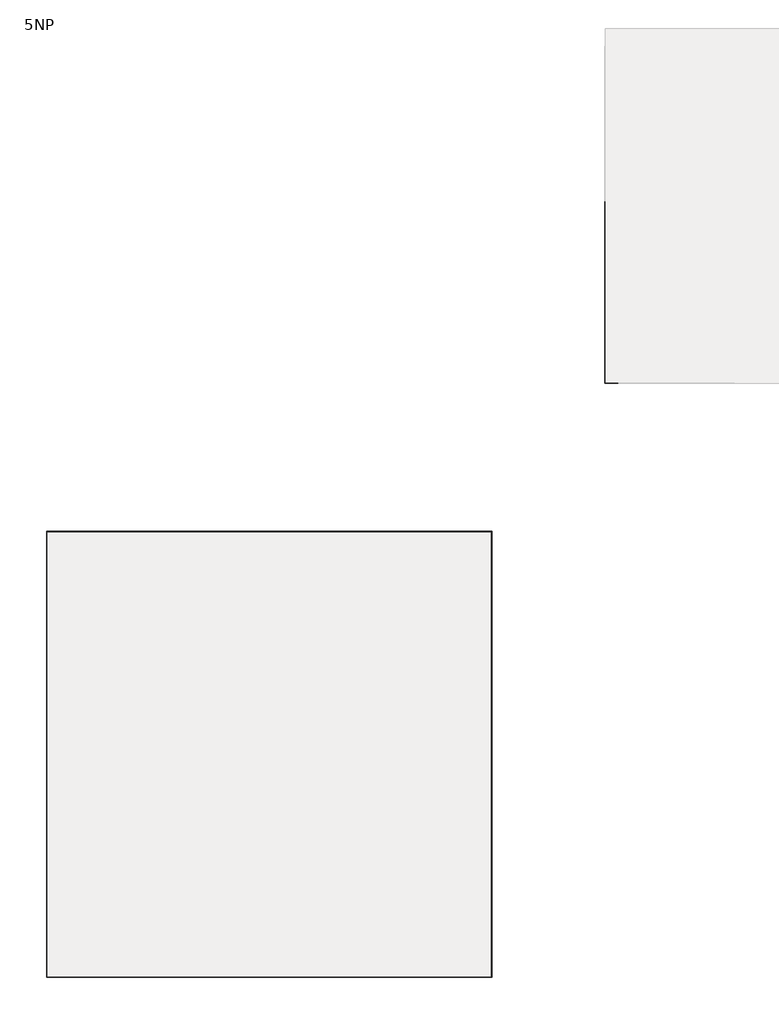
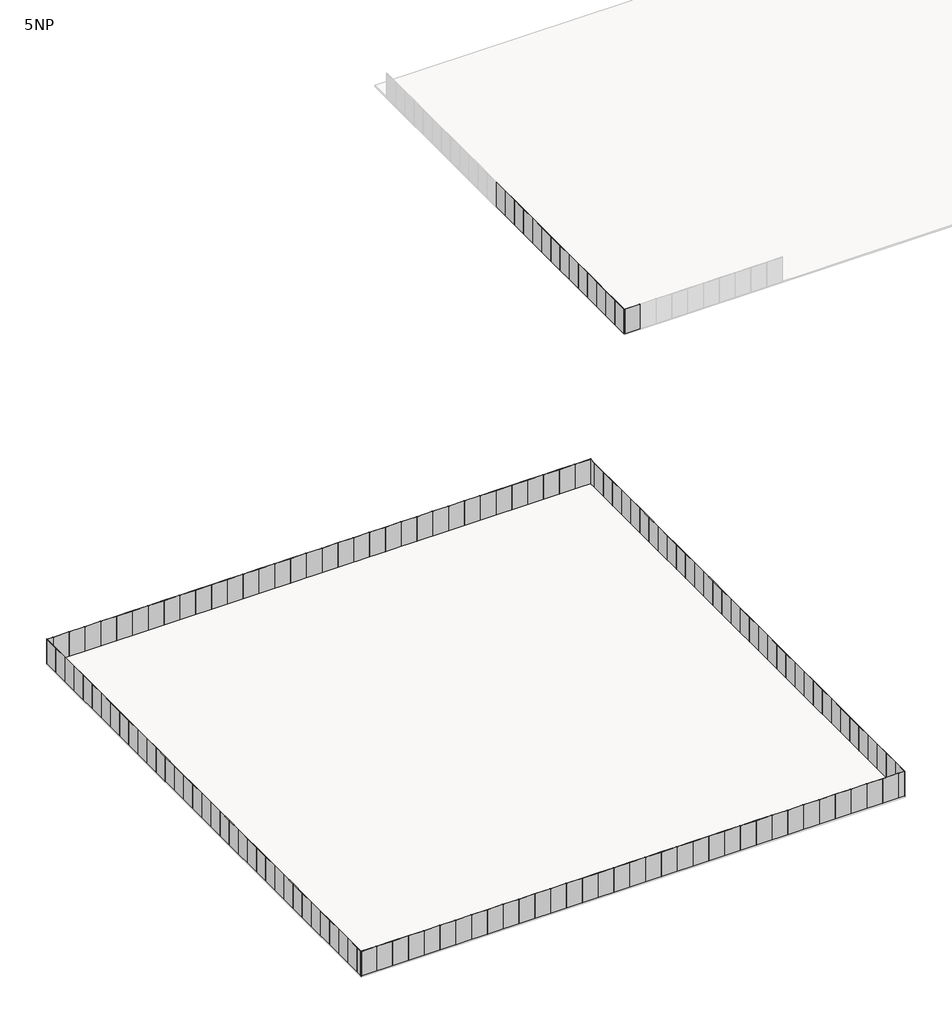
# One storey, part 1 of 3: 155 plates.
"""IFC4 building model written with IfcOpenShell, lengths in millimetres."""

import ifcopenshell
import ifcopenshell.guid

model = None  # the IFC model being written
_history = None  # IfcOwnerHistory: only IFC2X3 demands one
_inside = {}  # id of a spatial element -> (the spatial element, [elements in it])
_under = {}  # id of a project, library or spatial element -> (it, [spatial elements below it])
_declared = {}  # id of a project -> (the project, [libraries it declares])
_typed = {}  # id of a type object -> (the type object, [elements of that type])
_made_of = {}  # id of a material, layer set ... -> (it, [elements and type objects made of it])


def new_model(schema):
    """Start an empty IFC model of exactly this schema.

    Asked for "IFC4X3", IfcOpenShell would pick the latest addendum, in which some entities
    have other attributes; the version numbers below select the first issue.
    IFC2X3 requires an IfcOwnerHistory on every rooted entity: one is made here for all.
    """
    global model, _history
    if schema == "IFC4X3":
        model = ifcopenshell.file(schema_version=(4, 3, 0, 0))
    else:
        model = ifcopenshell.file(schema=schema)
    _inside.clear()
    _under.clear()
    _declared.clear()
    _typed.clear()
    _made_of.clear()
    _history = None
    if model.schema == "IFC2X3":
        org = make("IfcOrganization", Name="unknown")
        user = make(
            "IfcPersonAndOrganization",
            ThePerson=make("IfcPerson", FamilyName="unknown"),
            TheOrganization=org,
        )
        app = make(
            "IfcApplication",
            ApplicationDeveloper=org,
            Version="unknown",
            ApplicationFullName="unknown",
            ApplicationIdentifier="unknown",
        )
        _history = make(
            "IfcOwnerHistory",
            OwningUser=user,
            OwningApplication=app,
            ChangeAction="ADDED",
            CreationDate=0,
        )
    return model


def make(cls, **values):
    """One entity of the class cls with the attributes given. An attribute that is None is left unset."""
    return model.create_entity(
        cls, **{name: value for name, value in values.items() if value is not None}
    )


def rooted(cls, **values):
    """An entity with a GlobalId (a new one), such as an element, a storey or a relation."""
    return make(cls, GlobalId=ifcopenshell.guid.new(), OwnerHistory=_history, **values)


def si_unit(unit_type, name, prefix=None):
    """IfcSIUnit, for example si_unit("LENGTHUNIT", "METRE", prefix="MILLI")."""
    return make("IfcSIUnit", UnitType=unit_type, Prefix=prefix, Name=name)


def assignment(units):
    """IfcUnitAssignment: the units of a project."""
    return None if units is None else make("IfcUnitAssignment", Units=units)


def point(xyz):
    """IfcCartesianPoint."""
    return None if xyz is None else make("IfcCartesianPoint", Coordinates=xyz)


def direction(xyz):
    """IfcDirection."""
    return None if xyz is None else make("IfcDirection", DirectionRatios=xyz)


def frame(location, z_axis=None, x_axis=None):
    """IfcAxis2Placement3D, a coordinate frame: its origin and axes. An axis left out is left unset."""
    return make(
        "IfcAxis2Placement3D",
        Location=point(location),
        Axis=direction(z_axis),
        RefDirection=direction(x_axis),
    )


def origin():
    """The frame at (0, 0, 0) with its axes left unset."""
    return frame((0.0, 0.0, 0.0))


def origin_with_axes():
    """The frame at (0, 0, 0) with the z axis (0, 0, 1) and the x axis (1, 0, 0) written out."""
    return frame((0.0, 0.0, 0.0), z_axis=(0.0, 0.0, 1.0), x_axis=(1.0, 0.0, 0.0))


def place(relative_to, where):
    """IfcLocalPlacement: puts the frame where relative to a parent placement (None: the world)."""
    return make(
        "IfcLocalPlacement", PlacementRelTo=relative_to, RelativePlacement=where
    )


def context(
    kind, dimensions, precision=None, world=None, true_north=None, identifier=None
):
    """IfcGeometricRepresentationContext, for example the 3D "Model" context."""
    return make(
        "IfcGeometricRepresentationContext",
        ContextIdentifier=identifier,
        ContextType=kind,
        CoordinateSpaceDimension=dimensions,
        Precision=precision,
        WorldCoordinateSystem=world,
        TrueNorth=true_north,
    )


def project(units=None, contexts=None):
    """IfcProject with its units and contexts."""
    return rooted(
        "IfcProject",
        Name="project",
        RepresentationContexts=contexts,
        UnitsInContext=assignment(units),
    )


def spatial(cls, under=None, at=None, **own):
    """A site, building, storey or space (cls), placed at a placement, below another one or the project."""
    s = rooted(cls, ObjectPlacement=at, **own)
    if under is not None:
        _under.setdefault(under.id(), (under, []))[1].append(s)
    return s


def polyline(points):
    """IfcPolyline through the points."""
    return make("IfcPolyline", Points=[point(p) for p in points])


def outline(outer, holes=None, kind="AREA"):
    """IfcArbitraryClosedProfileDef: a profile drawn as a closed curve; with holes, ...WithVoids."""
    if holes is None:
        return make("IfcArbitraryClosedProfileDef", ProfileType=kind, OuterCurve=outer)
    return make(
        "IfcArbitraryProfileDefWithVoids",
        ProfileType=kind,
        OuterCurve=outer,
        InnerCurves=holes,
    )


def extrude(swept, where, along, depth):
    """IfcExtrudedAreaSolid: the profile swept, set in the frame where, extruded along a direction by depth."""
    return make(
        "IfcExtrudedAreaSolid",
        SweptArea=swept,
        Position=where,
        ExtrudedDirection=direction(along),
        Depth=depth,
    )


def shape(context_of_items, identifier, shape_type, items):
    """IfcShapeRepresentation: the items that make up one representation, for example the "Body"."""
    return make(
        "IfcShapeRepresentation",
        ContextOfItems=context_of_items,
        RepresentationIdentifier=identifier,
        RepresentationType=shape_type,
        Items=items,
    )


def source(mapping_origin, context_of_items, identifier, shape_type, items):
    """IfcRepresentationMap: a shape defined once, which mapped items show again and again."""
    return make(
        "IfcRepresentationMap",
        MappingOrigin=mapping_origin,
        MappedRepresentation=shape(context_of_items, identifier, shape_type, items),
    )


def transform(
    local_origin,
    x_axis=None,
    y_axis=None,
    z_axis=None,
    scale=None,
    scale2=None,
    scale3=None,
    uniform=True,
):
    """IfcCartesianTransformationOperator3D, or its non-uniform kind. x_axis, y_axis, z_axis: its Axis1, 2, 3."""
    if uniform:
        return make(
            "IfcCartesianTransformationOperator3D",
            Axis1=direction(x_axis),
            Axis2=direction(y_axis),
            LocalOrigin=point(local_origin),
            Scale=scale,
            Axis3=direction(z_axis),
        )
    return make(
        "IfcCartesianTransformationOperator3DnonUniform",
        Axis1=direction(x_axis),
        Axis2=direction(y_axis),
        LocalOrigin=point(local_origin),
        Scale=scale,
        Axis3=direction(z_axis),
        Scale2=scale2,
        Scale3=scale3,
    )


def mapped(mapping_source, mapping_target):
    """IfcMappedItem: shows the shape of a source again, moved by a transform."""
    return make(
        "IfcMappedItem", MappingSource=mapping_source, MappingTarget=mapping_target
    )


def made_of(thing, what):
    """Note that an element or type object is made of a material, layer set ...; save() writes the relation."""
    if what is not None:
        _made_of.setdefault(what.id(), (what, []))[1].append(thing)
    return thing


def element(
    cls,
    number,
    at=None,
    inside=None,
    cuts=None,
    type_object=None,
    material=None,
    context=None,
    identifier="Body",
    shape_type=None,
    held_by="IfcProductDefinitionShape",
    body=None,
    shapes=None,
    **own,
):
    """One element of the class cls, such as IfcWall. Its Tag is "e" and its number.

    at: its placement. inside: the storey or other place that contains it. cuts: it is an
    opening in that element (IfcRelVoidsElement). A single representation is given by context,
    identifier, shape_type and body (its items); several are given by shapes. held_by: the class
    of the entity that holds the representations. save() writes the other relations.
    """
    e = rooted(cls, Tag="e%d" % number, ObjectPlacement=at, **own)
    if body is not None:
        shapes = [shape(context, identifier, shape_type, body)]
    if shapes is not None:
        e.Representation = make(held_by, Representations=shapes)
    if inside is not None:
        _inside.setdefault(inside.id(), (inside, []))[1].append(e)
    if cuts is not None:
        rooted(
            "IfcRelVoidsElement", RelatingBuildingElement=cuts, RelatedOpeningElement=e
        )
    if type_object is not None:
        _typed.setdefault(type_object.id(), (type_object, []))[1].append(e)
    return made_of(e, material)


def aggregate(whole, parts):
    """IfcRelAggregates: a whole, such as a stair, and the parts it consists of."""
    return rooted("IfcRelAggregates", RelatingObject=whole, RelatedObjects=parts)


def save(model, path):
    """Write the relations noted so far, then the file.

    IfcRelAggregates (storeys below a building ...), IfcRelContainedInSpatialStructure (elements
    in a storey), IfcRelDefinesByType, IfcRelAssociatesMaterial and IfcRelDeclares: one each for
    every whole, place, type object, material and project.
    """
    for whole, parts in _under.values():
        aggregate(whole, parts)
    for where, things in _inside.values():
        rooted(
            "IfcRelContainedInSpatialStructure",
            RelatedElements=things,
            RelatingStructure=where,
        )
    for kind, things in _typed.values():
        rooted("IfcRelDefinesByType", RelatedObjects=things, RelatingType=kind)
    for what, things in _made_of.values():
        rooted("IfcRelAssociatesMaterial", RelatedObjects=things, RelatingMaterial=what)
    for by, libraries in _declared.values():
        rooted("IfcRelDeclares", RelatingContext=by, RelatedDefinitions=libraries)
    model.write(path)


def plate_1b9f2f65(model_context):
    return source(origin(), model_context, "Body", "SweptSolid", [
        extrude(outline(polyline([(915.0000002, 24.5), (-915.0000002, 24.5), (-915.0000002, 49.5), (915.0000002, 49.5), (915.0000002, 24.5)])), origin_with_axes(), (0.0, 0.0, 1.0), 3000.0),
    ])


def plate_6aa52e40(model_context):
    return source(origin(), model_context, "Body", "SweptSolid", [
        extrude(outline(polyline([(889.9999998, 24.5), (-889.9999998, 24.5), (-889.9999998, 49.5), (889.9999998, 49.5), (889.9999998, 24.5)])), origin_with_axes(), (0.0, 0.0, 1.0), 3000.0),
    ])


def plate_b3ee0a74(model_context):
    return source(origin(), model_context, "Body", "SweptSolid", [
        extrude(outline(polyline([(412.4999998, 24.5), (-412.4999998, 24.5), (-412.4999998, 49.5), (412.4999998, 49.5), (412.4999998, 24.5)])), origin_with_axes(), (0.0, 0.0, 1.0), 3000.0),
    ])


def plate_80f6fde1(model_context):
    return source(origin(), model_context, "Body", "SweptSolid", [
        extrude(outline(polyline([(379.0470052, 24.5), (-379.0470052, 24.5), (-379.0470052, 49.5), (379.0470052, 49.5), (379.0470052, 24.5)])), origin_with_axes(), (0.0, 0.0, 1.0), 3000.0),
    ])


model = new_model("IFC4")

# Units and contexts
model_context = context("Model", 3, world=origin())
ifc_project = project(units=[si_unit("LENGTHUNIT", "METRE", prefix="MILLI")], contexts=[model_context])

# Site, building, storey
site = spatial("IfcSite", under=ifc_project)
building = spatial("IfcBuilding", under=site)
storey = spatial("IfcBuildingStorey", under=building, Name="5NP", Elevation=12000.0)

# Plates
placement = place(None, origin())
plate_shape = plate_1b9f2f65(model_context)
element("IfcPlate", 1, at=placement, inside=storey, context=model_context, shape_type="MappedRepresentation", body=[
    mapped(plate_shape, transform((-1000.0, 84915.0000002, 12000.0), x_axis=(0.0, 1.0, 0.0), y_axis=(-1.0, 0.0, 0.0), z_axis=(0.0, 0.0, 1.0))),
])
element("IfcPlate", 2, at=placement, inside=storey, context=model_context, shape_type="MappedRepresentation", body=[
    mapped(plate_shape, transform((-1000.0, 86745.0000003, 12000.0), x_axis=(0.0, 1.0, 0.0), y_axis=(-1.0, 0.0, 0.0), z_axis=(0.0, 0.0, 1.0))),
])
element("IfcPlate", 3, at=placement, inside=storey, context=model_context, shape_type="MappedRepresentation", body=[
    mapped(plate_shape, transform((-1000.0, 88575.0000003, 12000.0), x_axis=(0.0, 1.0, 0.0), y_axis=(-1.0, 0.0, 0.0), z_axis=(0.0, 0.0, 1.0))),
])
element("IfcPlate", 4, at=placement, inside=storey, context=model_context, shape_type="MappedRepresentation", body=[
    mapped(plate_shape, transform((-1000.0, 90405.0000003, 12000.0), x_axis=(0.0, 1.0, 0.0), y_axis=(-1.0, 0.0, 0.0), z_axis=(0.0, 0.0, 1.0))),
])
element("IfcPlate", 5, at=placement, inside=storey, context=model_context, shape_type="MappedRepresentation", body=[
    mapped(plate_shape, transform((-1000.0, 92235.0000003, 12000.0), x_axis=(0.0, 1.0, 0.0), y_axis=(-1.0, 0.0, 0.0), z_axis=(0.0, 0.0, 1.0))),
])
element("IfcPlate", 6, at=placement, inside=storey, context=model_context, shape_type="MappedRepresentation", body=[
    mapped(plate_shape, transform((-1000.0, 94065.0000003, 12000.0), x_axis=(0.0, 1.0, 0.0), y_axis=(-1.0, 0.0, 0.0), z_axis=(0.0, 0.0, 1.0))),
])
element("IfcPlate", 7, at=placement, inside=storey, context=model_context, shape_type="MappedRepresentation", body=[
    mapped(plate_shape, transform((-1000.0, 95895.0000003, 12000.0), x_axis=(0.0, 1.0, 0.0), y_axis=(-1.0, 0.0, 0.0), z_axis=(0.0, 0.0, 1.0))),
])
element("IfcPlate", 8, at=placement, inside=storey, context=model_context, shape_type="MappedRepresentation", body=[
    mapped(plate_shape, transform((-1000.0, 97725.0000003, 12000.0), x_axis=(0.0, 1.0, 0.0), y_axis=(-1.0, 0.0, 0.0), z_axis=(0.0, 0.0, 1.0))),
])
element("IfcPlate", 9, at=placement, inside=storey, context=model_context, shape_type="MappedRepresentation", body=[
    mapped(plate_shape, transform((-1000.0, 99555.0000003, 12000.0), x_axis=(0.0, 1.0, 0.0), y_axis=(-1.0, 0.0, 0.0), z_axis=(0.0, 0.0, 1.0))),
])
element("IfcPlate", 10, at=placement, inside=storey, context=model_context, shape_type="MappedRepresentation", body=[
    mapped(plate_shape, transform((-1000.0, 101385.0000003, 12000.0), x_axis=(0.0, 1.0, 0.0), y_axis=(-1.0, 0.0, 0.0), z_axis=(0.0, 0.0, 1.0))),
])
element("IfcPlate", 11, at=placement, inside=storey, context=model_context, shape_type="MappedRepresentation", body=[
    mapped(plate_shape, transform((-1000.0, 103215.0000003, 12000.0), x_axis=(0.0, 1.0, 0.0), y_axis=(-1.0, 0.0, 0.0), z_axis=(0.0, 0.0, 1.0))),
])
element("IfcPlate", 12, at=placement, inside=storey, context=model_context, shape_type="MappedRepresentation", body=[
    mapped(plate_shape, transform((-1000.0, 105045.0000003, 12000.0), x_axis=(0.0, 1.0, 0.0), y_axis=(-1.0, 0.0, 0.0), z_axis=(0.0, 0.0, 1.0))),
])
element("IfcPlate", 13, at=placement, inside=storey, context=model_context, shape_type="MappedRepresentation", body=[
    mapped(plate_shape, transform((-1000.0, 106875.0000003, 12000.0), x_axis=(0.0, 1.0, 0.0), y_axis=(-1.0, 0.0, 0.0), z_axis=(0.0, 0.0, 1.0))),
])
element("IfcPlate", 14, at=placement, inside=storey, context=model_context, shape_type="MappedRepresentation", body=[
    mapped(plate_shape, transform((-1000.0, 108705.0000003, 12000.0), x_axis=(0.0, 1.0, 0.0), y_axis=(-1.0, 0.0, 0.0), z_axis=(0.0, 0.0, 1.0))),
])
element("IfcPlate", 15, at=placement, inside=storey, context=model_context, shape_type="MappedRepresentation", body=[
    mapped(plate_shape, transform((-80000.0, 62129.9999998, 12000.0), x_axis=(0.0, -1.0, 0.0), y_axis=(1.0, 0.0, 0.0), z_axis=(0.0, 0.0, 1.0))),
])
element("IfcPlate", 16, at=placement, inside=storey, context=model_context, shape_type="MappedRepresentation", body=[
    mapped(plate_shape, transform((-80000.0, 60299.9999997, 12000.0), x_axis=(0.0, -1.0, 0.0), y_axis=(1.0, 0.0, 0.0), z_axis=(0.0, 0.0, 1.0))),
])
element("IfcPlate", 17, at=placement, inside=storey, context=model_context, shape_type="MappedRepresentation", body=[
    mapped(plate_shape, transform((-80000.0, 58469.9999997, 12000.0), x_axis=(0.0, -1.0, 0.0), y_axis=(1.0, 0.0, 0.0), z_axis=(0.0, 0.0, 1.0))),
])
element("IfcPlate", 18, at=placement, inside=storey, context=model_context, shape_type="MappedRepresentation", body=[
    mapped(plate_shape, transform((-80000.0, 56639.9999997, 12000.0), x_axis=(0.0, -1.0, 0.0), y_axis=(1.0, 0.0, 0.0), z_axis=(0.0, 0.0, 1.0))),
])
element("IfcPlate", 19, at=placement, inside=storey, context=model_context, shape_type="MappedRepresentation", body=[
    mapped(plate_shape, transform((-80000.0, 54809.9999997, 12000.0), x_axis=(0.0, -1.0, 0.0), y_axis=(1.0, 0.0, 0.0), z_axis=(0.0, 0.0, 1.0))),
])
element("IfcPlate", 20, at=placement, inside=storey, context=model_context, shape_type="MappedRepresentation", body=[
    mapped(plate_shape, transform((-80000.0, 52979.9999997, 12000.0), x_axis=(0.0, -1.0, 0.0), y_axis=(1.0, 0.0, 0.0), z_axis=(0.0, 0.0, 1.0))),
])
element("IfcPlate", 21, at=placement, inside=storey, context=model_context, shape_type="MappedRepresentation", body=[
    mapped(plate_shape, transform((-80000.0, 51149.9999997, 12000.0), x_axis=(0.0, -1.0, 0.0), y_axis=(1.0, 0.0, 0.0), z_axis=(0.0, 0.0, 1.0))),
])
element("IfcPlate", 22, at=placement, inside=storey, context=model_context, shape_type="MappedRepresentation", body=[
    mapped(plate_shape, transform((-80000.0, 49319.9999997, 12000.0), x_axis=(0.0, -1.0, 0.0), y_axis=(1.0, 0.0, 0.0), z_axis=(0.0, 0.0, 1.0))),
])
element("IfcPlate", 23, at=placement, inside=storey, context=model_context, shape_type="MappedRepresentation", body=[
    mapped(plate_shape, transform((-80000.0, 47489.9999997, 12000.0), x_axis=(0.0, -1.0, 0.0), y_axis=(1.0, 0.0, 0.0), z_axis=(0.0, 0.0, 1.0))),
])
element("IfcPlate", 24, at=placement, inside=storey, context=model_context, shape_type="MappedRepresentation", body=[
    mapped(plate_shape, transform((-80000.0, 45659.9999997, 12000.0), x_axis=(0.0, -1.0, 0.0), y_axis=(1.0, 0.0, 0.0), z_axis=(0.0, 0.0, 1.0))),
])
element("IfcPlate", 25, at=placement, inside=storey, context=model_context, shape_type="MappedRepresentation", body=[
    mapped(plate_shape, transform((-80000.0, 43829.9999997, 12000.0), x_axis=(0.0, -1.0, 0.0), y_axis=(1.0, 0.0, 0.0), z_axis=(0.0, 0.0, 1.0))),
])
element("IfcPlate", 26, at=placement, inside=storey, context=model_context, shape_type="MappedRepresentation", body=[
    mapped(plate_shape, transform((-80000.0, 41999.9999997, 12000.0), x_axis=(0.0, -1.0, 0.0), y_axis=(1.0, 0.0, 0.0), z_axis=(0.0, 0.0, 1.0))),
])
element("IfcPlate", 27, at=placement, inside=storey, context=model_context, shape_type="MappedRepresentation", body=[
    mapped(plate_shape, transform((-80000.0, 40169.9999997, 12000.0), x_axis=(0.0, -1.0, 0.0), y_axis=(1.0, 0.0, 0.0), z_axis=(0.0, 0.0, 1.0))),
])
element("IfcPlate", 28, at=placement, inside=storey, context=model_context, shape_type="MappedRepresentation", body=[
    mapped(plate_shape, transform((-80000.0, 38339.9999997, 12000.0), x_axis=(0.0, -1.0, 0.0), y_axis=(1.0, 0.0, 0.0), z_axis=(0.0, 0.0, 1.0))),
])
element("IfcPlate", 29, at=placement, inside=storey, context=model_context, shape_type="MappedRepresentation", body=[
    mapped(plate_shape, transform((-80000.0, 36509.9999997, 12000.0), x_axis=(0.0, -1.0, 0.0), y_axis=(1.0, 0.0, 0.0), z_axis=(0.0, 0.0, 1.0))),
])
element("IfcPlate", 30, at=placement, inside=storey, context=model_context, shape_type="MappedRepresentation", body=[
    mapped(plate_shape, transform((-80000.0, 34679.9999997, 12000.0), x_axis=(0.0, -1.0, 0.0), y_axis=(1.0, 0.0, 0.0), z_axis=(0.0, 0.0, 1.0))),
])
element("IfcPlate", 31, at=placement, inside=storey, context=model_context, shape_type="MappedRepresentation", body=[
    mapped(plate_shape, transform((-80000.0, 32849.9999997, 12000.0), x_axis=(0.0, -1.0, 0.0), y_axis=(1.0, 0.0, 0.0), z_axis=(0.0, 0.0, 1.0))),
])
element("IfcPlate", 32, at=placement, inside=storey, context=model_context, shape_type="MappedRepresentation", body=[
    mapped(plate_shape, transform((-80000.0, 31019.9999997, 12000.0), x_axis=(0.0, -1.0, 0.0), y_axis=(1.0, 0.0, 0.0), z_axis=(0.0, 0.0, 1.0))),
])
element("IfcPlate", 33, at=placement, inside=storey, context=model_context, shape_type="MappedRepresentation", body=[
    mapped(plate_shape, transform((-80000.0, 29189.9999997, 12000.0), x_axis=(0.0, -1.0, 0.0), y_axis=(1.0, 0.0, 0.0), z_axis=(0.0, 0.0, 1.0))),
])
element("IfcPlate", 34, at=placement, inside=storey, context=model_context, shape_type="MappedRepresentation", body=[
    mapped(plate_shape, transform((-80000.0, 27359.9999997, 12000.0), x_axis=(0.0, -1.0, 0.0), y_axis=(1.0, 0.0, 0.0), z_axis=(0.0, 0.0, 1.0))),
])
element("IfcPlate", 35, at=placement, inside=storey, context=model_context, shape_type="MappedRepresentation", body=[
    mapped(plate_shape, transform((-80000.0, 25529.9999997, 12000.0), x_axis=(0.0, -1.0, 0.0), y_axis=(1.0, 0.0, 0.0), z_axis=(0.0, 0.0, 1.0))),
])
element("IfcPlate", 36, at=placement, inside=storey, context=model_context, shape_type="MappedRepresentation", body=[
    mapped(plate_shape, transform((-80000.0, 23699.9999997, 12000.0), x_axis=(0.0, -1.0, 0.0), y_axis=(1.0, 0.0, 0.0), z_axis=(0.0, 0.0, 1.0))),
])
element("IfcPlate", 37, at=placement, inside=storey, context=model_context, shape_type="MappedRepresentation", body=[
    mapped(plate_shape, transform((-80000.0, 21869.9999997, 12000.0), x_axis=(0.0, -1.0, 0.0), y_axis=(1.0, 0.0, 0.0), z_axis=(0.0, 0.0, 1.0))),
])
element("IfcPlate", 38, at=placement, inside=storey, context=model_context, shape_type="MappedRepresentation", body=[
    mapped(plate_shape, transform((-80000.0, 20039.9999997, 12000.0), x_axis=(0.0, -1.0, 0.0), y_axis=(1.0, 0.0, 0.0), z_axis=(0.0, 0.0, 1.0))),
])
element("IfcPlate", 39, at=placement, inside=storey, context=model_context, shape_type="MappedRepresentation", body=[
    mapped(plate_shape, transform((-80000.0, 18209.9999997, 12000.0), x_axis=(0.0, -1.0, 0.0), y_axis=(1.0, 0.0, 0.0), z_axis=(0.0, 0.0, 1.0))),
])
element("IfcPlate", 40, at=placement, inside=storey, context=model_context, shape_type="MappedRepresentation", body=[
    mapped(plate_shape, transform((-80000.0, 16379.9999997, 12000.0), x_axis=(0.0, -1.0, 0.0), y_axis=(1.0, 0.0, 0.0), z_axis=(0.0, 0.0, 1.0))),
])
element("IfcPlate", 41, at=placement, inside=storey, context=model_context, shape_type="MappedRepresentation", body=[
    mapped(plate_shape, transform((-80000.0, 14549.9999997, 12000.0), x_axis=(0.0, -1.0, 0.0), y_axis=(1.0, 0.0, 0.0), z_axis=(0.0, 0.0, 1.0))),
])
element("IfcPlate", 42, at=placement, inside=storey, context=model_context, shape_type="MappedRepresentation", body=[
    mapped(plate_shape, transform((-80000.0, 12719.9999997, 12000.0), x_axis=(0.0, -1.0, 0.0), y_axis=(1.0, 0.0, 0.0), z_axis=(0.0, 0.0, 1.0))),
])
element("IfcPlate", 43, at=placement, inside=storey, context=model_context, shape_type="MappedRepresentation", body=[
    mapped(plate_shape, transform((-80000.0, 10889.9999997, 12000.0), x_axis=(0.0, -1.0, 0.0), y_axis=(1.0, 0.0, 0.0), z_axis=(0.0, 0.0, 1.0))),
])
element("IfcPlate", 44, at=placement, inside=storey, context=model_context, shape_type="MappedRepresentation", body=[
    mapped(plate_shape, transform((-80000.0, 9059.9999997, 12000.0), x_axis=(0.0, -1.0, 0.0), y_axis=(1.0, 0.0, 0.0), z_axis=(0.0, 0.0, 1.0))),
])
element("IfcPlate", 45, at=placement, inside=storey, context=model_context, shape_type="MappedRepresentation", body=[
    mapped(plate_shape, transform((-80000.0, 7229.9999997, 12000.0), x_axis=(0.0, -1.0, 0.0), y_axis=(1.0, 0.0, 0.0), z_axis=(0.0, 0.0, 1.0))),
])
element("IfcPlate", 46, at=placement, inside=storey, context=model_context, shape_type="MappedRepresentation", body=[
    mapped(plate_shape, transform((-80000.0, 5399.9999997, 12000.0), x_axis=(0.0, -1.0, 0.0), y_axis=(1.0, 0.0, 0.0), z_axis=(0.0, 0.0, 1.0))),
])
element("IfcPlate", 47, at=placement, inside=storey, context=model_context, shape_type="MappedRepresentation", body=[
    mapped(plate_shape, transform((-80000.0, 3569.9999997, 12000.0), x_axis=(0.0, -1.0, 0.0), y_axis=(1.0, 0.0, 0.0), z_axis=(0.0, 0.0, 1.0))),
])
element("IfcPlate", 48, at=placement, inside=storey, context=model_context, shape_type="MappedRepresentation", body=[
    mapped(plate_shape, transform((-80000.0, 1739.9999997, 12000.0), x_axis=(0.0, -1.0, 0.0), y_axis=(1.0, 0.0, 0.0), z_axis=(0.0, 0.0, 1.0))),
])
element("IfcPlate", 49, at=placement, inside=storey, context=model_context, shape_type="MappedRepresentation", body=[
    mapped(plate_shape, transform((-79084.9999998, 0.0, 12000.0), x_axis=(1.0, 0.0, 0.0), y_axis=(0.0, 1.0, 0.0), z_axis=(0.0, 0.0, 1.0))),
])
element("IfcPlate", 50, at=placement, inside=storey, context=model_context, shape_type="MappedRepresentation", body=[
    mapped(plate_shape, transform((-77254.9999997, 0.0, 12000.0), x_axis=(1.0, 0.0, 0.0), y_axis=(0.0, 1.0, 0.0), z_axis=(0.0, 0.0, 1.0))),
])
element("IfcPlate", 51, at=placement, inside=storey, context=model_context, shape_type="MappedRepresentation", body=[
    mapped(plate_shape, transform((-75424.9999997, 0.0, 12000.0), x_axis=(1.0, 0.0, 0.0), y_axis=(0.0, 1.0, 0.0), z_axis=(0.0, 0.0, 1.0))),
])
element("IfcPlate", 52, at=placement, inside=storey, context=model_context, shape_type="MappedRepresentation", body=[
    mapped(plate_shape, transform((-73594.9999997, 0.0, 12000.0), x_axis=(1.0, 0.0, 0.0), y_axis=(0.0, 1.0, 0.0), z_axis=(0.0, 0.0, 1.0))),
])
element("IfcPlate", 53, at=placement, inside=storey, context=model_context, shape_type="MappedRepresentation", body=[
    mapped(plate_shape, transform((-71764.9999997, 0.0, 12000.0), x_axis=(1.0, 0.0, 0.0), y_axis=(0.0, 1.0, 0.0), z_axis=(0.0, 0.0, 1.0))),
])
element("IfcPlate", 54, at=placement, inside=storey, context=model_context, shape_type="MappedRepresentation", body=[
    mapped(plate_shape, transform((-69934.9999997, 0.0, 12000.0), x_axis=(1.0, 0.0, 0.0), y_axis=(0.0, 1.0, 0.0), z_axis=(0.0, 0.0, 1.0))),
])
element("IfcPlate", 55, at=placement, inside=storey, context=model_context, shape_type="MappedRepresentation", body=[
    mapped(plate_shape, transform((-68104.9999997, 0.0, 12000.0), x_axis=(1.0, 0.0, 0.0), y_axis=(0.0, 1.0, 0.0), z_axis=(0.0, 0.0, 1.0))),
])
element("IfcPlate", 56, at=placement, inside=storey, context=model_context, shape_type="MappedRepresentation", body=[
    mapped(plate_shape, transform((-66274.9999997, 0.0, 12000.0), x_axis=(1.0, 0.0, 0.0), y_axis=(0.0, 1.0, 0.0), z_axis=(0.0, 0.0, 1.0))),
])
element("IfcPlate", 57, at=placement, inside=storey, context=model_context, shape_type="MappedRepresentation", body=[
    mapped(plate_shape, transform((-64444.9999997, 0.0, 12000.0), x_axis=(1.0, 0.0, 0.0), y_axis=(0.0, 1.0, 0.0), z_axis=(0.0, 0.0, 1.0))),
])
element("IfcPlate", 58, at=placement, inside=storey, context=model_context, shape_type="MappedRepresentation", body=[
    mapped(plate_shape, transform((-62614.9999997, 0.0, 12000.0), x_axis=(1.0, 0.0, 0.0), y_axis=(0.0, 1.0, 0.0), z_axis=(0.0, 0.0, 1.0))),
])
element("IfcPlate", 59, at=placement, inside=storey, context=model_context, shape_type="MappedRepresentation", body=[
    mapped(plate_shape, transform((-60784.9999997, 0.0, 12000.0), x_axis=(1.0, 0.0, 0.0), y_axis=(0.0, 1.0, 0.0), z_axis=(0.0, 0.0, 1.0))),
])
element("IfcPlate", 60, at=placement, inside=storey, context=model_context, shape_type="MappedRepresentation", body=[
    mapped(plate_shape, transform((-58954.9999997, 0.0, 12000.0), x_axis=(1.0, 0.0, 0.0), y_axis=(0.0, 1.0, 0.0), z_axis=(0.0, 0.0, 1.0))),
])
element("IfcPlate", 61, at=placement, inside=storey, context=model_context, shape_type="MappedRepresentation", body=[
    mapped(plate_shape, transform((-57124.9999997, 0.0, 12000.0), x_axis=(1.0, 0.0, 0.0), y_axis=(0.0, 1.0, 0.0), z_axis=(0.0, 0.0, 1.0))),
])
element("IfcPlate", 62, at=placement, inside=storey, context=model_context, shape_type="MappedRepresentation", body=[
    mapped(plate_shape, transform((-55294.9999997, 0.0, 12000.0), x_axis=(1.0, 0.0, 0.0), y_axis=(0.0, 1.0, 0.0), z_axis=(0.0, 0.0, 1.0))),
])
element("IfcPlate", 63, at=placement, inside=storey, context=model_context, shape_type="MappedRepresentation", body=[
    mapped(plate_shape, transform((-53464.9999997, 0.0, 12000.0), x_axis=(1.0, 0.0, 0.0), y_axis=(0.0, 1.0, 0.0), z_axis=(0.0, 0.0, 1.0))),
])
element("IfcPlate", 64, at=placement, inside=storey, context=model_context, shape_type="MappedRepresentation", body=[
    mapped(plate_shape, transform((-51634.9999997, 0.0, 12000.0), x_axis=(1.0, 0.0, 0.0), y_axis=(0.0, 1.0, 0.0), z_axis=(0.0, 0.0, 1.0))),
])
element("IfcPlate", 65, at=placement, inside=storey, context=model_context, shape_type="MappedRepresentation", body=[
    mapped(plate_shape, transform((-49804.9999997, 0.0, 12000.0), x_axis=(1.0, 0.0, 0.0), y_axis=(0.0, 1.0, 0.0), z_axis=(0.0, 0.0, 1.0))),
])
element("IfcPlate", 66, at=placement, inside=storey, context=model_context, shape_type="MappedRepresentation", body=[
    mapped(plate_shape, transform((-47974.9999997, 0.0, 12000.0), x_axis=(1.0, 0.0, 0.0), y_axis=(0.0, 1.0, 0.0), z_axis=(0.0, 0.0, 1.0))),
])
element("IfcPlate", 67, at=placement, inside=storey, context=model_context, shape_type="MappedRepresentation", body=[
    mapped(plate_shape, transform((-46144.9999997, 0.0, 12000.0), x_axis=(1.0, 0.0, 0.0), y_axis=(0.0, 1.0, 0.0), z_axis=(0.0, 0.0, 1.0))),
])
element("IfcPlate", 68, at=placement, inside=storey, context=model_context, shape_type="MappedRepresentation", body=[
    mapped(plate_shape, transform((-44314.9999997, 0.0, 12000.0), x_axis=(1.0, 0.0, 0.0), y_axis=(0.0, 1.0, 0.0), z_axis=(0.0, 0.0, 1.0))),
])
element("IfcPlate", 69, at=placement, inside=storey, context=model_context, shape_type="MappedRepresentation", body=[
    mapped(plate_shape, transform((-42484.9999997, 0.0, 12000.0), x_axis=(1.0, 0.0, 0.0), y_axis=(0.0, 1.0, 0.0), z_axis=(0.0, 0.0, 1.0))),
])
element("IfcPlate", 70, at=placement, inside=storey, context=model_context, shape_type="MappedRepresentation", body=[
    mapped(plate_shape, transform((-40654.9999997, 0.0, 12000.0), x_axis=(1.0, 0.0, 0.0), y_axis=(0.0, 1.0, 0.0), z_axis=(0.0, 0.0, 1.0))),
])
element("IfcPlate", 71, at=placement, inside=storey, context=model_context, shape_type="MappedRepresentation", body=[
    mapped(plate_shape, transform((-38824.9999997, 0.0, 12000.0), x_axis=(1.0, 0.0, 0.0), y_axis=(0.0, 1.0, 0.0), z_axis=(0.0, 0.0, 1.0))),
])
element("IfcPlate", 72, at=placement, inside=storey, context=model_context, shape_type="MappedRepresentation", body=[
    mapped(plate_shape, transform((-36994.9999997, 0.0, 12000.0), x_axis=(1.0, 0.0, 0.0), y_axis=(0.0, 1.0, 0.0), z_axis=(0.0, 0.0, 1.0))),
])
element("IfcPlate", 73, at=placement, inside=storey, context=model_context, shape_type="MappedRepresentation", body=[
    mapped(plate_shape, transform((-35164.9999997, 0.0, 12000.0), x_axis=(1.0, 0.0, 0.0), y_axis=(0.0, 1.0, 0.0), z_axis=(0.0, 0.0, 1.0))),
])
element("IfcPlate", 74, at=placement, inside=storey, context=model_context, shape_type="MappedRepresentation", body=[
    mapped(plate_shape, transform((-33334.9999997, 0.0, 12000.0), x_axis=(1.0, 0.0, 0.0), y_axis=(0.0, 1.0, 0.0), z_axis=(0.0, 0.0, 1.0))),
])
element("IfcPlate", 75, at=placement, inside=storey, context=model_context, shape_type="MappedRepresentation", body=[
    mapped(plate_shape, transform((-31504.9999997, 0.0, 12000.0), x_axis=(1.0, 0.0, 0.0), y_axis=(0.0, 1.0, 0.0), z_axis=(0.0, 0.0, 1.0))),
])
element("IfcPlate", 76, at=placement, inside=storey, context=model_context, shape_type="MappedRepresentation", body=[
    mapped(plate_shape, transform((-29674.9999997, 0.0, 12000.0), x_axis=(1.0, 0.0, 0.0), y_axis=(0.0, 1.0, 0.0), z_axis=(0.0, 0.0, 1.0))),
])
element("IfcPlate", 77, at=placement, inside=storey, context=model_context, shape_type="MappedRepresentation", body=[
    mapped(plate_shape, transform((-27844.9999997, 0.0, 12000.0), x_axis=(1.0, 0.0, 0.0), y_axis=(0.0, 1.0, 0.0), z_axis=(0.0, 0.0, 1.0))),
])
element("IfcPlate", 78, at=placement, inside=storey, context=model_context, shape_type="MappedRepresentation", body=[
    mapped(plate_shape, transform((-26014.9999997, 0.0, 12000.0), x_axis=(1.0, 0.0, 0.0), y_axis=(0.0, 1.0, 0.0), z_axis=(0.0, 0.0, 1.0))),
])
element("IfcPlate", 79, at=placement, inside=storey, context=model_context, shape_type="MappedRepresentation", body=[
    mapped(plate_shape, transform((-24184.9999997, 0.0, 12000.0), x_axis=(1.0, 0.0, 0.0), y_axis=(0.0, 1.0, 0.0), z_axis=(0.0, 0.0, 1.0))),
])
element("IfcPlate", 80, at=placement, inside=storey, context=model_context, shape_type="MappedRepresentation", body=[
    mapped(plate_shape, transform((-22354.9999997, 0.0, 12000.0), x_axis=(1.0, 0.0, 0.0), y_axis=(0.0, 1.0, 0.0), z_axis=(0.0, 0.0, 1.0))),
])
element("IfcPlate", 81, at=placement, inside=storey, context=model_context, shape_type="MappedRepresentation", body=[
    mapped(plate_shape, transform((-20524.9999997, 0.0, 12000.0), x_axis=(1.0, 0.0, 0.0), y_axis=(0.0, 1.0, 0.0), z_axis=(0.0, 0.0, 1.0))),
])
element("IfcPlate", 82, at=placement, inside=storey, context=model_context, shape_type="MappedRepresentation", body=[
    mapped(plate_shape, transform((-18694.9999997, 0.0, 12000.0), x_axis=(1.0, 0.0, 0.0), y_axis=(0.0, 1.0, 0.0), z_axis=(0.0, 0.0, 1.0))),
])
element("IfcPlate", 83, at=placement, inside=storey, context=model_context, shape_type="MappedRepresentation", body=[
    mapped(plate_shape, transform((-17021.9059892, 915.0000002, 12000.0), x_axis=(0.0, 1.0, 0.0), y_axis=(-1.0, 0.0, 0.0), z_axis=(0.0, 0.0, 1.0))),
])
element("IfcPlate", 84, at=placement, inside=storey, context=model_context, shape_type="MappedRepresentation", body=[
    mapped(plate_shape, transform((-17021.9059892, 2745.0000003, 12000.0), x_axis=(0.0, 1.0, 0.0), y_axis=(-1.0, 0.0, 0.0), z_axis=(0.0, 0.0, 1.0))),
])
element("IfcPlate", 85, at=placement, inside=storey, context=model_context, shape_type="MappedRepresentation", body=[
    mapped(plate_shape, transform((-17021.9059892, 4575.0000003, 12000.0), x_axis=(0.0, 1.0, 0.0), y_axis=(-1.0, 0.0, 0.0), z_axis=(0.0, 0.0, 1.0))),
])
element("IfcPlate", 86, at=placement, inside=storey, context=model_context, shape_type="MappedRepresentation", body=[
    mapped(plate_shape, transform((-17021.9059892, 6405.0000003, 12000.0), x_axis=(0.0, 1.0, 0.0), y_axis=(-1.0, 0.0, 0.0), z_axis=(0.0, 0.0, 1.0))),
])
element("IfcPlate", 87, at=placement, inside=storey, context=model_context, shape_type="MappedRepresentation", body=[
    mapped(plate_shape, transform((-17021.9059892, 8235.0000003, 12000.0), x_axis=(0.0, 1.0, 0.0), y_axis=(-1.0, 0.0, 0.0), z_axis=(0.0, 0.0, 1.0))),
])
element("IfcPlate", 88, at=placement, inside=storey, context=model_context, shape_type="MappedRepresentation", body=[
    mapped(plate_shape, transform((-17021.9059892, 10065.0000003, 12000.0), x_axis=(0.0, 1.0, 0.0), y_axis=(-1.0, 0.0, 0.0), z_axis=(0.0, 0.0, 1.0))),
])
element("IfcPlate", 89, at=placement, inside=storey, context=model_context, shape_type="MappedRepresentation", body=[
    mapped(plate_shape, transform((-17021.9059892, 11895.0000003, 12000.0), x_axis=(0.0, 1.0, 0.0), y_axis=(-1.0, 0.0, 0.0), z_axis=(0.0, 0.0, 1.0))),
])
element("IfcPlate", 90, at=placement, inside=storey, context=model_context, shape_type="MappedRepresentation", body=[
    mapped(plate_shape, transform((-17021.9059892, 13725.0000003, 12000.0), x_axis=(0.0, 1.0, 0.0), y_axis=(-1.0, 0.0, 0.0), z_axis=(0.0, 0.0, 1.0))),
])
element("IfcPlate", 91, at=placement, inside=storey, context=model_context, shape_type="MappedRepresentation", body=[
    mapped(plate_shape, transform((-17021.9059892, 15555.0000003, 12000.0), x_axis=(0.0, 1.0, 0.0), y_axis=(-1.0, 0.0, 0.0), z_axis=(0.0, 0.0, 1.0))),
])
element("IfcPlate", 92, at=placement, inside=storey, context=model_context, shape_type="MappedRepresentation", body=[
    mapped(plate_shape, transform((-17021.9059892, 17385.0000003, 12000.0), x_axis=(0.0, 1.0, 0.0), y_axis=(-1.0, 0.0, 0.0), z_axis=(0.0, 0.0, 1.0))),
])
element("IfcPlate", 93, at=placement, inside=storey, context=model_context, shape_type="MappedRepresentation", body=[
    mapped(plate_shape, transform((-17021.9059892, 19215.0000003, 12000.0), x_axis=(0.0, 1.0, 0.0), y_axis=(-1.0, 0.0, 0.0), z_axis=(0.0, 0.0, 1.0))),
])
element("IfcPlate", 94, at=placement, inside=storey, context=model_context, shape_type="MappedRepresentation", body=[
    mapped(plate_shape, transform((-17021.9059892, 21045.0000003, 12000.0), x_axis=(0.0, 1.0, 0.0), y_axis=(-1.0, 0.0, 0.0), z_axis=(0.0, 0.0, 1.0))),
])
element("IfcPlate", 95, at=placement, inside=storey, context=model_context, shape_type="MappedRepresentation", body=[
    mapped(plate_shape, transform((-17021.9059892, 22875.0000003, 12000.0), x_axis=(0.0, 1.0, 0.0), y_axis=(-1.0, 0.0, 0.0), z_axis=(0.0, 0.0, 1.0))),
])
element("IfcPlate", 96, at=placement, inside=storey, context=model_context, shape_type="MappedRepresentation", body=[
    mapped(plate_shape, transform((-17021.9059892, 24705.0000003, 12000.0), x_axis=(0.0, 1.0, 0.0), y_axis=(-1.0, 0.0, 0.0), z_axis=(0.0, 0.0, 1.0))),
])
element("IfcPlate", 97, at=placement, inside=storey, context=model_context, shape_type="MappedRepresentation", body=[
    mapped(plate_shape, transform((-17021.9059892, 26535.0000003, 12000.0), x_axis=(0.0, 1.0, 0.0), y_axis=(-1.0, 0.0, 0.0), z_axis=(0.0, 0.0, 1.0))),
])
element("IfcPlate", 98, at=placement, inside=storey, context=model_context, shape_type="MappedRepresentation", body=[
    mapped(plate_shape, transform((-17021.9059892, 28365.0000003, 12000.0), x_axis=(0.0, 1.0, 0.0), y_axis=(-1.0, 0.0, 0.0), z_axis=(0.0, 0.0, 1.0))),
])
element("IfcPlate", 99, at=placement, inside=storey, context=model_context, shape_type="MappedRepresentation", body=[
    mapped(plate_shape, transform((-17021.9059892, 30195.0000003, 12000.0), x_axis=(0.0, 1.0, 0.0), y_axis=(-1.0, 0.0, 0.0), z_axis=(0.0, 0.0, 1.0))),
])
element("IfcPlate", 100, at=placement, inside=storey, context=model_context, shape_type="MappedRepresentation", body=[
    mapped(plate_shape, transform((-17021.9059892, 32025.0000003, 12000.0), x_axis=(0.0, 1.0, 0.0), y_axis=(-1.0, 0.0, 0.0), z_axis=(0.0, 0.0, 1.0))),
])
element("IfcPlate", 101, at=placement, inside=storey, context=model_context, shape_type="MappedRepresentation", body=[
    mapped(plate_shape, transform((-17021.9059892, 33855.0000003, 12000.0), x_axis=(0.0, 1.0, 0.0), y_axis=(-1.0, 0.0, 0.0), z_axis=(0.0, 0.0, 1.0))),
])
element("IfcPlate", 102, at=placement, inside=storey, context=model_context, shape_type="MappedRepresentation", body=[
    mapped(plate_shape, transform((-17021.9059892, 35685.0000003, 12000.0), x_axis=(0.0, 1.0, 0.0), y_axis=(-1.0, 0.0, 0.0), z_axis=(0.0, 0.0, 1.0))),
])
element("IfcPlate", 103, at=placement, inside=storey, context=model_context, shape_type="MappedRepresentation", body=[
    mapped(plate_shape, transform((-17021.9059892, 37515.0000003, 12000.0), x_axis=(0.0, 1.0, 0.0), y_axis=(-1.0, 0.0, 0.0), z_axis=(0.0, 0.0, 1.0))),
])
element("IfcPlate", 104, at=placement, inside=storey, context=model_context, shape_type="MappedRepresentation", body=[
    mapped(plate_shape, transform((-17021.9059892, 39345.0000003, 12000.0), x_axis=(0.0, 1.0, 0.0), y_axis=(-1.0, 0.0, 0.0), z_axis=(0.0, 0.0, 1.0))),
])
element("IfcPlate", 105, at=placement, inside=storey, context=model_context, shape_type="MappedRepresentation", body=[
    mapped(plate_shape, transform((-17021.9059892, 41175.0000003, 12000.0), x_axis=(0.0, 1.0, 0.0), y_axis=(-1.0, 0.0, 0.0), z_axis=(0.0, 0.0, 1.0))),
])
element("IfcPlate", 106, at=placement, inside=storey, context=model_context, shape_type="MappedRepresentation", body=[
    mapped(plate_shape, transform((-17021.9059892, 43005.0000003, 12000.0), x_axis=(0.0, 1.0, 0.0), y_axis=(-1.0, 0.0, 0.0), z_axis=(0.0, 0.0, 1.0))),
])
element("IfcPlate", 107, at=placement, inside=storey, context=model_context, shape_type="MappedRepresentation", body=[
    mapped(plate_shape, transform((-17021.9059892, 44835.0000003, 12000.0), x_axis=(0.0, 1.0, 0.0), y_axis=(-1.0, 0.0, 0.0), z_axis=(0.0, 0.0, 1.0))),
])
element("IfcPlate", 108, at=placement, inside=storey, context=model_context, shape_type="MappedRepresentation", body=[
    mapped(plate_shape, transform((-17021.9059892, 46665.0000003, 12000.0), x_axis=(0.0, 1.0, 0.0), y_axis=(-1.0, 0.0, 0.0), z_axis=(0.0, 0.0, 1.0))),
])
element("IfcPlate", 109, at=placement, inside=storey, context=model_context, shape_type="MappedRepresentation", body=[
    mapped(plate_shape, transform((-17021.9059892, 48495.0000003, 12000.0), x_axis=(0.0, 1.0, 0.0), y_axis=(-1.0, 0.0, 0.0), z_axis=(0.0, 0.0, 1.0))),
])
element("IfcPlate", 110, at=placement, inside=storey, context=model_context, shape_type="MappedRepresentation", body=[
    mapped(plate_shape, transform((-17021.9059892, 50325.0000003, 12000.0), x_axis=(0.0, 1.0, 0.0), y_axis=(-1.0, 0.0, 0.0), z_axis=(0.0, 0.0, 1.0))),
])
element("IfcPlate", 111, at=placement, inside=storey, context=model_context, shape_type="MappedRepresentation", body=[
    mapped(plate_shape, transform((-17021.9059892, 52155.0000003, 12000.0), x_axis=(0.0, 1.0, 0.0), y_axis=(-1.0, 0.0, 0.0), z_axis=(0.0, 0.0, 1.0))),
])
element("IfcPlate", 112, at=placement, inside=storey, context=model_context, shape_type="MappedRepresentation", body=[
    mapped(plate_shape, transform((-17021.9059892, 53985.0000003, 12000.0), x_axis=(0.0, 1.0, 0.0), y_axis=(-1.0, 0.0, 0.0), z_axis=(0.0, 0.0, 1.0))),
])
element("IfcPlate", 113, at=placement, inside=storey, context=model_context, shape_type="MappedRepresentation", body=[
    mapped(plate_shape, transform((-17021.9059892, 55815.0000003, 12000.0), x_axis=(0.0, 1.0, 0.0), y_axis=(-1.0, 0.0, 0.0), z_axis=(0.0, 0.0, 1.0))),
])
element("IfcPlate", 114, at=placement, inside=storey, context=model_context, shape_type="MappedRepresentation", body=[
    mapped(plate_shape, transform((-17021.9059892, 57645.0000003, 12000.0), x_axis=(0.0, 1.0, 0.0), y_axis=(-1.0, 0.0, 0.0), z_axis=(0.0, 0.0, 1.0))),
])
element("IfcPlate", 115, at=placement, inside=storey, context=model_context, shape_type="MappedRepresentation", body=[
    mapped(plate_shape, transform((-17021.9059892, 59475.0000003, 12000.0), x_axis=(0.0, 1.0, 0.0), y_axis=(-1.0, 0.0, 0.0), z_axis=(0.0, 0.0, 1.0))),
])
element("IfcPlate", 116, at=placement, inside=storey, context=model_context, shape_type="MappedRepresentation", body=[
    mapped(plate_shape, transform((-17021.9059892, 61305.0000003, 12000.0), x_axis=(0.0, 1.0, 0.0), y_axis=(-1.0, 0.0, 0.0), z_axis=(0.0, 0.0, 1.0))),
])
element("IfcPlate", 117, at=placement, inside=storey, context=model_context, shape_type="MappedRepresentation", body=[
    mapped(plate_shape, transform((-17936.9059894, 63045.0, 12000.0), x_axis=(-1.0, 0.0, 0.0), y_axis=(0.0, -1.0, 0.0), z_axis=(0.0, 0.0, 1.0))),
])
element("IfcPlate", 118, at=placement, inside=storey, context=model_context, shape_type="MappedRepresentation", body=[
    mapped(plate_shape, transform((-19766.9059895, 63045.0, 12000.0), x_axis=(-1.0, 0.0, 0.0), y_axis=(0.0, -1.0, 0.0), z_axis=(0.0, 0.0, 1.0))),
])
element("IfcPlate", 119, at=placement, inside=storey, context=model_context, shape_type="MappedRepresentation", body=[
    mapped(plate_shape, transform((-21596.9059895, 63045.0, 12000.0), x_axis=(-1.0, 0.0, 0.0), y_axis=(0.0, -1.0, 0.0), z_axis=(0.0, 0.0, 1.0))),
])
element("IfcPlate", 120, at=placement, inside=storey, context=model_context, shape_type="MappedRepresentation", body=[
    mapped(plate_shape, transform((-23426.9059895, 63045.0, 12000.0), x_axis=(-1.0, 0.0, 0.0), y_axis=(0.0, -1.0, 0.0), z_axis=(0.0, 0.0, 1.0))),
])
element("IfcPlate", 121, at=placement, inside=storey, context=model_context, shape_type="MappedRepresentation", body=[
    mapped(plate_shape, transform((-25256.9059895, 63045.0, 12000.0), x_axis=(-1.0, 0.0, 0.0), y_axis=(0.0, -1.0, 0.0), z_axis=(0.0, 0.0, 1.0))),
])
element("IfcPlate", 122, at=placement, inside=storey, context=model_context, shape_type="MappedRepresentation", body=[
    mapped(plate_shape, transform((-27086.9059895, 63045.0, 12000.0), x_axis=(-1.0, 0.0, 0.0), y_axis=(0.0, -1.0, 0.0), z_axis=(0.0, 0.0, 1.0))),
])
element("IfcPlate", 123, at=placement, inside=storey, context=model_context, shape_type="MappedRepresentation", body=[
    mapped(plate_shape, transform((-28916.9059895, 63045.0, 12000.0), x_axis=(-1.0, 0.0, 0.0), y_axis=(0.0, -1.0, 0.0), z_axis=(0.0, 0.0, 1.0))),
])
element("IfcPlate", 124, at=placement, inside=storey, context=model_context, shape_type="MappedRepresentation", body=[
    mapped(plate_shape, transform((-30746.9059895, 63045.0, 12000.0), x_axis=(-1.0, 0.0, 0.0), y_axis=(0.0, -1.0, 0.0), z_axis=(0.0, 0.0, 1.0))),
])
element("IfcPlate", 125, at=placement, inside=storey, context=model_context, shape_type="MappedRepresentation", body=[
    mapped(plate_shape, transform((-32576.9059895, 63045.0, 12000.0), x_axis=(-1.0, 0.0, 0.0), y_axis=(0.0, -1.0, 0.0), z_axis=(0.0, 0.0, 1.0))),
])
element("IfcPlate", 126, at=placement, inside=storey, context=model_context, shape_type="MappedRepresentation", body=[
    mapped(plate_shape, transform((-34406.9059895, 63045.0, 12000.0), x_axis=(-1.0, 0.0, 0.0), y_axis=(0.0, -1.0, 0.0), z_axis=(0.0, 0.0, 1.0))),
])
element("IfcPlate", 127, at=placement, inside=storey, context=model_context, shape_type="MappedRepresentation", body=[
    mapped(plate_shape, transform((-36236.9059895, 63045.0, 12000.0), x_axis=(-1.0, 0.0, 0.0), y_axis=(0.0, -1.0, 0.0), z_axis=(0.0, 0.0, 1.0))),
])
element("IfcPlate", 128, at=placement, inside=storey, context=model_context, shape_type="MappedRepresentation", body=[
    mapped(plate_shape, transform((-38066.9059895, 63045.0, 12000.0), x_axis=(-1.0, 0.0, 0.0), y_axis=(0.0, -1.0, 0.0), z_axis=(0.0, 0.0, 1.0))),
])
element("IfcPlate", 129, at=placement, inside=storey, context=model_context, shape_type="MappedRepresentation", body=[
    mapped(plate_shape, transform((-39896.9059895, 63045.0, 12000.0), x_axis=(-1.0, 0.0, 0.0), y_axis=(0.0, -1.0, 0.0), z_axis=(0.0, 0.0, 1.0))),
])
element("IfcPlate", 130, at=placement, inside=storey, context=model_context, shape_type="MappedRepresentation", body=[
    mapped(plate_shape, transform((-41726.9059895, 63045.0, 12000.0), x_axis=(-1.0, 0.0, 0.0), y_axis=(0.0, -1.0, 0.0), z_axis=(0.0, 0.0, 1.0))),
])
element("IfcPlate", 131, at=placement, inside=storey, context=model_context, shape_type="MappedRepresentation", body=[
    mapped(plate_shape, transform((-43556.9059895, 63045.0, 12000.0), x_axis=(-1.0, 0.0, 0.0), y_axis=(0.0, -1.0, 0.0), z_axis=(0.0, 0.0, 1.0))),
])
element("IfcPlate", 132, at=placement, inside=storey, context=model_context, shape_type="MappedRepresentation", body=[
    mapped(plate_shape, transform((-45386.9059895, 63045.0, 12000.0), x_axis=(-1.0, 0.0, 0.0), y_axis=(0.0, -1.0, 0.0), z_axis=(0.0, 0.0, 1.0))),
])
element("IfcPlate", 133, at=placement, inside=storey, context=model_context, shape_type="MappedRepresentation", body=[
    mapped(plate_shape, transform((-47216.9059895, 63045.0, 12000.0), x_axis=(-1.0, 0.0, 0.0), y_axis=(0.0, -1.0, 0.0), z_axis=(0.0, 0.0, 1.0))),
])
element("IfcPlate", 134, at=placement, inside=storey, context=model_context, shape_type="MappedRepresentation", body=[
    mapped(plate_shape, transform((-49046.9059895, 63045.0, 12000.0), x_axis=(-1.0, 0.0, 0.0), y_axis=(0.0, -1.0, 0.0), z_axis=(0.0, 0.0, 1.0))),
])
element("IfcPlate", 135, at=placement, inside=storey, context=model_context, shape_type="MappedRepresentation", body=[
    mapped(plate_shape, transform((-50876.9059895, 63045.0, 12000.0), x_axis=(-1.0, 0.0, 0.0), y_axis=(0.0, -1.0, 0.0), z_axis=(0.0, 0.0, 1.0))),
])
element("IfcPlate", 136, at=placement, inside=storey, context=model_context, shape_type="MappedRepresentation", body=[
    mapped(plate_shape, transform((-52706.9059895, 63045.0, 12000.0), x_axis=(-1.0, 0.0, 0.0), y_axis=(0.0, -1.0, 0.0), z_axis=(0.0, 0.0, 1.0))),
])
element("IfcPlate", 137, at=placement, inside=storey, context=model_context, shape_type="MappedRepresentation", body=[
    mapped(plate_shape, transform((-54536.9059895, 63045.0, 12000.0), x_axis=(-1.0, 0.0, 0.0), y_axis=(0.0, -1.0, 0.0), z_axis=(0.0, 0.0, 1.0))),
])
element("IfcPlate", 138, at=placement, inside=storey, context=model_context, shape_type="MappedRepresentation", body=[
    mapped(plate_shape, transform((-56366.9059895, 63045.0, 12000.0), x_axis=(-1.0, 0.0, 0.0), y_axis=(0.0, -1.0, 0.0), z_axis=(0.0, 0.0, 1.0))),
])
element("IfcPlate", 139, at=placement, inside=storey, context=model_context, shape_type="MappedRepresentation", body=[
    mapped(plate_shape, transform((-58196.9059895, 63045.0, 12000.0), x_axis=(-1.0, 0.0, 0.0), y_axis=(0.0, -1.0, 0.0), z_axis=(0.0, 0.0, 1.0))),
])
element("IfcPlate", 140, at=placement, inside=storey, context=model_context, shape_type="MappedRepresentation", body=[
    mapped(plate_shape, transform((-60026.9059895, 63045.0, 12000.0), x_axis=(-1.0, 0.0, 0.0), y_axis=(0.0, -1.0, 0.0), z_axis=(0.0, 0.0, 1.0))),
])
element("IfcPlate", 141, at=placement, inside=storey, context=model_context, shape_type="MappedRepresentation", body=[
    mapped(plate_shape, transform((-61856.9059895, 63045.0, 12000.0), x_axis=(-1.0, 0.0, 0.0), y_axis=(0.0, -1.0, 0.0), z_axis=(0.0, 0.0, 1.0))),
])
element("IfcPlate", 142, at=placement, inside=storey, context=model_context, shape_type="MappedRepresentation", body=[
    mapped(plate_shape, transform((-63686.9059895, 63045.0, 12000.0), x_axis=(-1.0, 0.0, 0.0), y_axis=(0.0, -1.0, 0.0), z_axis=(0.0, 0.0, 1.0))),
])
element("IfcPlate", 143, at=placement, inside=storey, context=model_context, shape_type="MappedRepresentation", body=[
    mapped(plate_shape, transform((-65516.9059895, 63045.0, 12000.0), x_axis=(-1.0, 0.0, 0.0), y_axis=(0.0, -1.0, 0.0), z_axis=(0.0, 0.0, 1.0))),
])
element("IfcPlate", 144, at=placement, inside=storey, context=model_context, shape_type="MappedRepresentation", body=[
    mapped(plate_shape, transform((-67346.9059895, 63045.0, 12000.0), x_axis=(-1.0, 0.0, 0.0), y_axis=(0.0, -1.0, 0.0), z_axis=(0.0, 0.0, 1.0))),
])
element("IfcPlate", 145, at=placement, inside=storey, context=model_context, shape_type="MappedRepresentation", body=[
    mapped(plate_shape, transform((-69176.9059895, 63045.0, 12000.0), x_axis=(-1.0, 0.0, 0.0), y_axis=(0.0, -1.0, 0.0), z_axis=(0.0, 0.0, 1.0))),
])
element("IfcPlate", 146, at=placement, inside=storey, context=model_context, shape_type="MappedRepresentation", body=[
    mapped(plate_shape, transform((-71006.9059895, 63045.0, 12000.0), x_axis=(-1.0, 0.0, 0.0), y_axis=(0.0, -1.0, 0.0), z_axis=(0.0, 0.0, 1.0))),
])
element("IfcPlate", 147, at=placement, inside=storey, context=model_context, shape_type="MappedRepresentation", body=[
    mapped(plate_shape, transform((-72836.9059895, 63045.0, 12000.0), x_axis=(-1.0, 0.0, 0.0), y_axis=(0.0, -1.0, 0.0), z_axis=(0.0, 0.0, 1.0))),
])
element("IfcPlate", 148, at=placement, inside=storey, context=model_context, shape_type="MappedRepresentation", body=[
    mapped(plate_shape, transform((-74666.9059895, 63045.0, 12000.0), x_axis=(-1.0, 0.0, 0.0), y_axis=(0.0, -1.0, 0.0), z_axis=(0.0, 0.0, 1.0))),
])
element("IfcPlate", 149, at=placement, inside=storey, context=model_context, shape_type="MappedRepresentation", body=[
    mapped(plate_shape, transform((-76496.9059895, 63045.0, 12000.0), x_axis=(-1.0, 0.0, 0.0), y_axis=(0.0, -1.0, 0.0), z_axis=(0.0, 0.0, 1.0))),
])
element("IfcPlate", 150, at=placement, inside=storey, context=model_context, shape_type="MappedRepresentation", body=[
    mapped(plate_shape, transform((-78326.9059895, 63045.0, 12000.0), x_axis=(-1.0, 0.0, 0.0), y_axis=(0.0, -1.0, 0.0), z_axis=(0.0, 0.0, 1.0))),
])
plate_2_shape = plate_6aa52e40(model_context)
element("IfcPlate", 151, at=placement, inside=storey, context=model_context, shape_type="MappedRepresentation", body=[
    mapped(plate_2_shape, transform((-110.0000002, 84000.0, 12000.0), x_axis=(-1.0, 0.0, 0.0), y_axis=(0.0, -1.0, 0.0), z_axis=(0.0, 0.0, 1.0))),
])
plate_3_shape = plate_b3ee0a74(model_context)
element("IfcPlate", 152, at=placement, inside=storey, context=model_context, shape_type="MappedRepresentation", body=[
    mapped(plate_3_shape, transform((-80000.0, 412.4999998, 12000.0), x_axis=(0.0, -1.0, 0.0), y_axis=(1.0, 0.0, 0.0), z_axis=(0.0, 0.0, 1.0))),
])
element("IfcPlate", 153, at=placement, inside=storey, context=model_context, shape_type="MappedRepresentation", body=[
    mapped(plate_3_shape, transform((-17021.9059892, 62632.5000002, 12000.0), x_axis=(0.0, 1.0, 0.0), y_axis=(-1.0, 0.0, 0.0), z_axis=(0.0, 0.0, 1.0))),
])
plate_4_shape = plate_80f6fde1(model_context)
element("IfcPlate", 154, at=placement, inside=storey, context=model_context, shape_type="MappedRepresentation", body=[
    mapped(plate_4_shape, transform((-17400.9529945, 0.0, 12000.0), x_axis=(1.0, 0.0, 0.0), y_axis=(0.0, 1.0, 0.0), z_axis=(0.0, 0.0, 1.0))),
])
element("IfcPlate", 155, at=placement, inside=storey, context=model_context, shape_type="MappedRepresentation", body=[
    mapped(plate_4_shape, transform((-79620.9529948, 63045.0, 12000.0), x_axis=(-1.0, 0.0, 0.0), y_axis=(0.0, -1.0, 0.0), z_axis=(0.0, 0.0, 1.0))),
])

save(model, "model.ifc")
